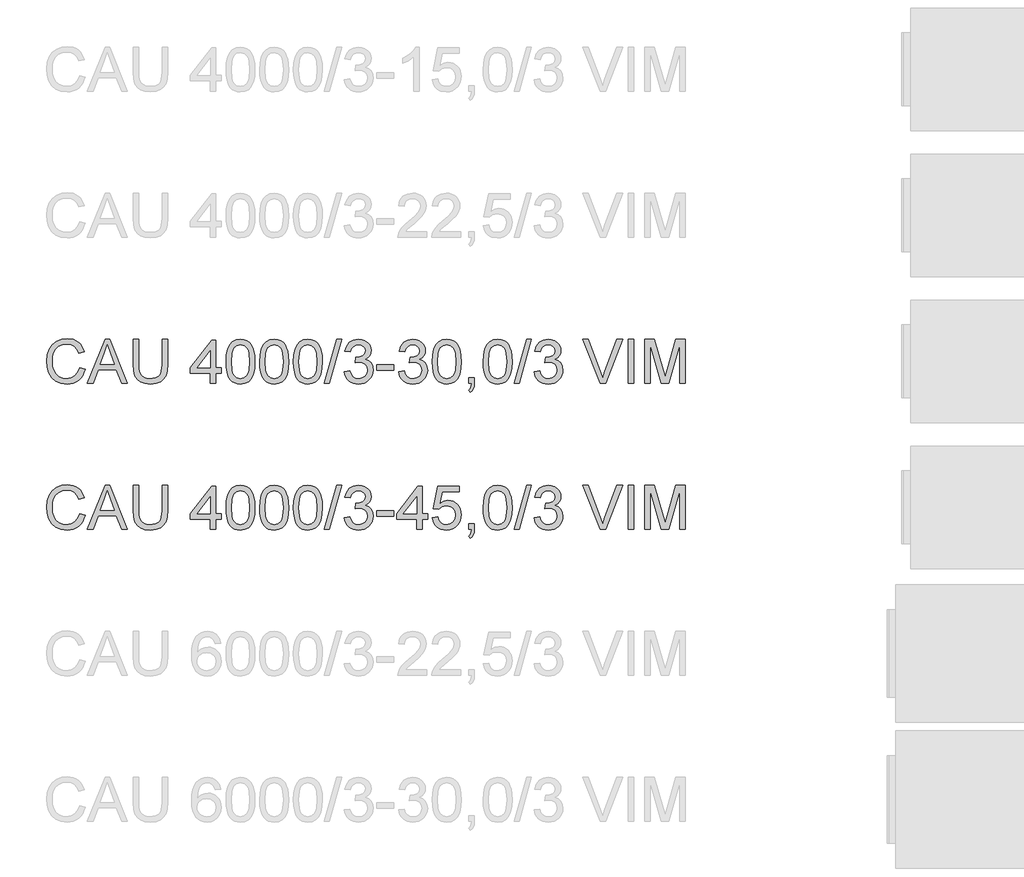
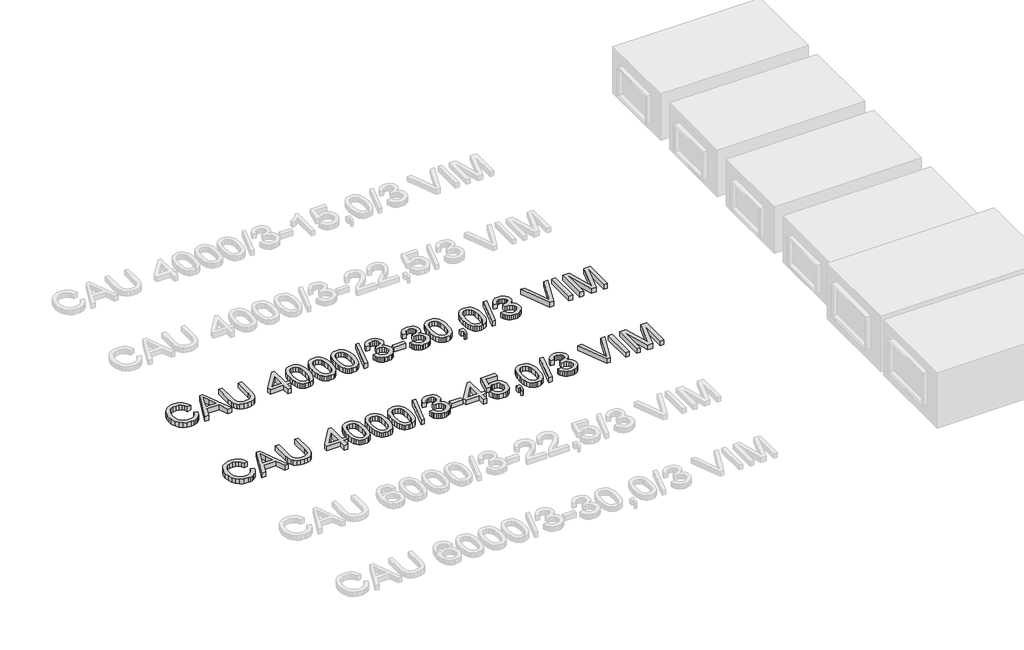
# One storey, part 61 of 74: 2 proxies.
"""IFC4 building model written with IfcOpenShell, lengths in millimetres."""

from ifc_helpers import new_model, si_unit, origin, origin_with_axes, place, context, project, spatial, polyline, outline, extrude, element, save

model = new_model("IFC4")

# Units and contexts
model_context = context("Model", 3, world=origin())
ifc_project = project(units=[si_unit("LENGTHUNIT", "METRE", prefix="MILLI")], contexts=[model_context])

# Site, building, storey
site = spatial("IfcSite", under=ifc_project)
building = spatial("IfcBuilding", under=site)
storey = spatial("IfcBuildingStorey", under=building, Elevation=0.0)

# Proxies
placement = place(None, origin())
element("IfcBuildingElementProxy", 1, Name="Generic Models", at=placement, inside=storey, context=model_context, shape_type="SweptSolid", body=[
    extrude(outline(polyline([(44539.6928381, -9799.1632103), (44577.3639544, -9808.875295), (44569.9097455, -9832.3024803), (44559.9815302, -9852.7728141), (44547.5793084, -9870.2862963), (44532.7030802, -9884.842927), (44515.688538, -9896.2863563), (44496.8713739, -9904.4602344), (44476.2515881, -9909.3645613), (44453.8291805, -9910.9993369), (44410.1339965, -9906.051324), (44375.4335273, -9891.2072855), (44348.835659, -9866.9822562), (44329.4482779, -9833.8912707), (44317.6116747, -9794.9877497), (44313.6661403, -9753.3251137), (44318.1267095, -9709.3816094), (44331.5084171, -9671.4345816), (44353.1122872, -9640.6888439), (44382.2393442, -9618.3492097), (44416.7834636, -9604.7467729), (44454.6385209, -9600.2126274), (44495.9424719, -9606.0803452), (44513.9112081, -9613.4149925), (44530.0911181, -9623.6834986), (44544.2154874, -9636.6145508), (44556.0176017, -9651.9368359), (44572.6550649, -9689.755105), (44534.9839486, -9698.7314257), (44521.9241378, -9671.2598377), (44504.081861, -9652.4150825), (44481.2363891, -9641.5165784), (44453.1669929, -9637.8837437), (44420.8117714, -9641.9120515), (44394.2322973, -9653.996975), (44374.0631669, -9672.8693214), (44360.9389767, -9697.2598977), (44353.7376866, -9724.8326532), (44351.3372566, -9753.2515373), (44354.179145, -9788.0531741), (44362.7048103, -9818.1459213), (44377.2361491, -9842.3801477), (44398.0950582, -9859.6062222), (44423.1018368, -9869.897721), (44450.0767841, -9873.3282206), (44481.5214977, -9868.6561192), (44507.7238928, -9854.6398152), (44527.5067471, -9831.4264613), (44539.6928381, -9799.1632103)])), origin_with_axes(), (0.0, 0.0, 1.0), 50.0),
    extrude(outline(polyline([(44594.065797, -9906.2904473), (44714.3632095, -9604.9215169), (44746.4425194, -9604.9215169), (44866.7399319, -9906.2904473), (44826.9351, -9906.2904473), (44792.4277688, -9812.1126566), (44668.3043837, -9812.1126566), (44633.8706289, -9906.2904473), (44594.065797, -9906.2904473)]), holes=[polyline([(44682.1367467, -9774.4415403), (44778.6689822, -9774.4415403), (44751.519291, -9700.3501064), (44730.4028644, -9642.5926332), (44711.6408827, -9693.8753833), (44682.1367467, -9774.4415403)])]), origin_with_axes(), (0.0, 0.0, 1.0), 50.0),
    extrude(outline(polyline([(45104.7595827, -9604.9215169), (45142.430699, -9604.9215169), (45142.430699, -9778.7825478), (45139.8739192, -9819.4978876), (45132.2035796, -9850.8506307), (45117.8745759, -9875.0388719), (45095.3418037, -9894.2607061), (45064.5500807, -9906.8146792), (45025.4442246, -9910.9993369), (44987.1936941, -9907.3573051), (44956.6135033, -9896.4312099), (44933.694455, -9878.5981302), (44918.4273522, -9854.235145), (44909.8465046, -9821.5580268), (44906.9862221, -9778.7825478), (44906.9862221, -9604.9215169), (44944.6573384, -9604.9215169), (44944.6573384, -9777.4581726), (44946.5151425, -9811.3125132), (44952.0885547, -9834.8845521), (44962.1869155, -9851.2093156), (44977.6195652, -9863.3218303), (44997.7427103, -9870.826623), (45021.9125574, -9873.3282206), (45060.2274672, -9868.3802077), (45074.5702665, -9862.1951917), (45085.7032954, -9853.5361692), (45094.0404211, -9841.3592752), (45099.9955109, -9824.6206444), (45104.7595827, -9777.4581726), (45104.7595827, -9604.9215169)])), origin_with_axes(), (0.0, 0.0, 1.0), 50.0),
    extrude(outline(polyline([(45434.3818504, -9906.2904473), (45434.3818504, -9835.6571043), (45297.8240538, -9835.6571043), (45297.8240538, -9797.985988), (45443.7996295, -9609.6304064), (45472.0529667, -9609.6304064), (45472.0529667, -9797.985988), (45509.724083, -9797.985988), (45509.724083, -9835.6571043), (45472.0529667, -9835.6571043), (45472.0529667, -9906.2904473), (45434.3818504, -9906.2904473)]), holes=[polyline([(45434.3818504, -9797.985988), (45434.3818504, -9681.5881247), (45344.1771852, -9797.985988), (45434.3818504, -9797.985988)])]), origin_with_axes(), (0.0, 0.0, 1.0), 50.0),
    extrude(outline(polyline([(45542.6863098, -9758.0340033), (45545.4546218, -9709.7954767), (45553.7595578, -9671.324217), (45567.5183445, -9642.0316132), (45586.6482082, -9621.3290539), (45611.2871048, -9609.0234011), (45641.5729901, -9604.9215169), (45664.786344, -9607.3495381), (45685.5716767, -9614.6336016), (45702.954101, -9626.4885989), (45715.9587295, -9642.6294214), (45725.7811788, -9662.9181134), (45733.6170653, -9687.2167192), (45738.7490191, -9718.0728216), (45740.4596704, -9758.0340033), (45737.7189495, -9805.9966184), (45729.4967869, -9844.3759076), (45715.8207738, -9873.6961026), (45696.7185012, -9894.4814353), (45672.0244222, -9906.8698615), (45641.5729901, -9910.9993369), (45620.8244456, -9909.2059122), (45602.4303458, -9903.825638), (45586.3906908, -9894.8585143), (45572.7054806, -9882.3045413), (45559.5720934, -9859.6108207), (45550.1911025, -9831.3344908), (45544.562508, -9797.4755517), (45542.6863098, -9758.0340033)]), holes=[polyline([(45580.3574261, -9757.9604269), (45584.77201, -9817.2170193), (45590.29024, -9837.4850179), (45598.0157619, -9851.5128183), (45617.7342368, -9867.87437), (45641.5729901, -9873.3282206), (45665.4117434, -9867.8559759), (45685.1302183, -9851.4392419), (45692.8557402, -9837.3884489), (45698.3739702, -9817.1250488), (45702.7885541, -9757.9604269), (45698.5211229, -9700.0374067), (45693.186834, -9679.8360867), (45685.7188295, -9665.4748933), (45666.0371428, -9648.3131982), (45641.1315317, -9642.5926332), (45617.5502958, -9647.6326165), (45598.6043731, -9662.7525665), (45590.6213338, -9678.3875513), (45584.9191628, -9699.4671897), (45580.3574261, -9757.9604269)])]), origin_with_axes(), (0.0, 0.0, 1.0), 50.0),
    extrude(outline(polyline([(45773.4218972, -9758.0340033), (45776.1902092, -9709.7954767), (45784.4951452, -9671.324217), (45798.2539318, -9642.0316132), (45817.3837956, -9621.3290539), (45842.0226922, -9609.0234011), (45872.3085775, -9604.9215169), (45895.5219314, -9607.3495381), (45916.3072641, -9614.6336016), (45933.6896884, -9626.4885989), (45946.6943169, -9642.6294214), (45956.5167662, -9662.9181134), (45964.3526527, -9687.2167192), (45969.4846065, -9718.0728216), (45971.1952578, -9758.0340033), (45968.4545369, -9805.9966184), (45960.2323743, -9844.3759076), (45946.5563611, -9873.6961026), (45927.4540885, -9894.4814353), (45902.7600096, -9906.8698615), (45872.3085775, -9910.9993369), (45851.5600329, -9909.2059122), (45833.1659332, -9903.825638), (45817.1262782, -9894.8585143), (45803.441068, -9882.3045413), (45790.3076807, -9859.6108207), (45780.9266899, -9831.3344908), (45775.2980953, -9797.4755517), (45773.4218972, -9758.0340033)]), holes=[polyline([(45811.0930135, -9757.9604269), (45815.5075974, -9817.2170193), (45821.0258273, -9837.4850179), (45828.7513492, -9851.5128183), (45848.4698242, -9867.87437), (45872.3085775, -9873.3282206), (45896.1473308, -9867.8559759), (45915.8658057, -9851.4392419), (45923.5913276, -9837.3884489), (45929.1095575, -9817.1250488), (45933.5241415, -9757.9604269), (45929.2567103, -9700.0374067), (45923.9224214, -9679.8360867), (45916.4544169, -9665.4748933), (45896.7727302, -9648.3131982), (45871.8671191, -9642.5926332), (45848.2858832, -9647.6326165), (45829.3399604, -9662.7525665), (45821.3569211, -9678.3875513), (45815.6547502, -9699.4671897), (45811.0930135, -9757.9604269)])]), origin_with_axes(), (0.0, 0.0, 1.0), 50.0),
    extrude(outline(polyline([(46004.1574845, -9758.0340033), (46006.9257966, -9709.7954767), (46015.2307326, -9671.324217), (46028.9895192, -9642.0316132), (46048.119383, -9621.3290539), (46072.7582796, -9609.0234011), (46103.0441648, -9604.9215169), (46126.2575187, -9607.3495381), (46147.0428515, -9614.6336016), (46164.4252757, -9626.4885989), (46177.4299043, -9642.6294214), (46187.2523535, -9662.9181134), (46195.08824, -9687.2167192), (46200.2201939, -9718.0728216), (46201.9308451, -9758.0340033), (46199.1901243, -9805.9966184), (46190.9679617, -9844.3759076), (46177.2919485, -9873.6961026), (46158.1896759, -9894.4814353), (46133.495597, -9906.8698615), (46103.0441648, -9910.9993369), (46082.2956203, -9909.2059122), (46063.9015206, -9903.825638), (46047.8618656, -9894.8585143), (46034.1766553, -9882.3045413), (46021.0432681, -9859.6108207), (46011.6622772, -9831.3344908), (46006.0336827, -9797.4755517), (46004.1574845, -9758.0340033)]), holes=[polyline([(46041.8286008, -9757.9604269), (46046.2431848, -9817.2170193), (46051.7614147, -9837.4850179), (46059.4869366, -9851.5128183), (46079.2054116, -9867.87437), (46103.0441648, -9873.3282206), (46126.8829181, -9867.8559759), (46146.6013931, -9851.4392419), (46154.326915, -9837.3884489), (46159.8451449, -9817.1250488), (46164.2597288, -9757.9604269), (46159.9922977, -9700.0374067), (46154.6580088, -9679.8360867), (46147.1900043, -9665.4748933), (46127.5083175, -9648.3131982), (46102.6027065, -9642.5926332), (46079.0214706, -9647.6326165), (46060.0755478, -9662.7525665), (46052.0925085, -9678.3875513), (46046.3903376, -9699.4671897), (46041.8286008, -9757.9604269)])]), origin_with_axes(), (0.0, 0.0, 1.0), 50.0),
    extrude(outline(polyline([(46216.0575138, -9906.2904473), (46300.8175255, -9604.9215169), (46334.8098218, -9604.9215169), (46250.0498101, -9906.2904473), (46216.0575138, -9906.2904473)])), origin_with_axes(), (0.0, 0.0, 1.0), 50.0),
    extrude(outline(polyline([(46352.6153104, -9826.2393252), (46390.2864267, -9821.5304357), (46398.7201214, -9845.203642), (46411.0717594, -9861.1881147), (46427.9483459, -9870.2931941), (46449.9568863, -9873.3282206), (46475.7822024, -9869.1527599), (46495.7214065, -9856.626378), (46508.4685176, -9837.9379726), (46512.7175547, -9815.2764417), (46508.5053058, -9793.7645421), (46495.8685593, -9776.3177384), (46476.7386955, -9764.7570467), (46453.0470951, -9760.9034828), (46426.6331678, -9765.0237612), (46430.8270225, -9727.3526449), (46436.8602873, -9727.7941033), (46459.4298477, -9725.0901706), (46479.6081751, -9716.9783726), (46493.8452083, -9703.2563742), (46498.5908861, -9683.7218403), (46495.1511894, -9667.452259), (46484.8320994, -9654.2544924), (46469.08675, -9645.508098), (46449.3682751, -9642.5926332), (46429.613012, -9645.5356892), (46413.4629924, -9654.364857), (46401.6723744, -9669.0801369), (46394.9953162, -9689.6815286), (46357.3241999, -9684.972639), (46368.4158421, -9651.1458896), (46388.1527111, -9625.8907906), (46415.1552496, -9610.1638353), (46448.0438999, -9604.9215169), (46471.7263034, -9607.5058879), (46493.4773263, -9615.259001), (46511.8162438, -9627.4910773), (46525.2623307, -9643.5123382), (46533.5120845, -9661.9708173), (46536.2620024, -9681.5145483), (46533.6500402, -9699.724707), (46525.8141537, -9716.2426086), (46512.8647075, -9730.3140949), (46494.9120661, -9741.1850079), (46518.493302, -9750.7131516), (46535.9676968, -9766.9367476), (46546.7834274, -9788.9728791), (46550.388671, -9815.9386293), (46548.5860492, -9835.050099), (46543.1781839, -9852.6532524), (46534.165075, -9868.7480897), (46521.5467226, -9883.3346108), (46506.1738537, -9895.4379285), (46488.8971955, -9904.0831554), (46469.716748, -9909.2702915), (46448.6325111, -9910.9993369), (46429.5762238, -9909.5232104), (46412.2121936, -9905.0948309), (46396.5404206, -9897.7141983), (46382.5609048, -9887.3813128), (46370.8392647, -9874.7031795), (46361.941119, -9860.2868038), (46355.8664675, -9844.1321857), (46352.6153104, -9826.2393252)])), origin_with_axes(), (0.0, 0.0, 1.0), 50.0),
    extrude(outline(polyline([(46573.9331187, -9816.8215461), (46573.9331187, -9779.1504298), (46691.6553571, -9779.1504298), (46691.6553571, -9816.8215461), (46573.9331187, -9816.8215461)])), origin_with_axes(), (0.0, 0.0, 1.0), 50.0),
    extrude(outline(polyline([(46724.6175839, -9826.2393252), (46762.2887002, -9821.5304357), (46770.7223949, -9845.203642), (46783.0740329, -9861.1881147), (46799.9506195, -9870.2931941), (46821.9591598, -9873.3282206), (46847.7844759, -9869.1527599), (46867.72368, -9856.626378), (46880.4707912, -9837.9379726), (46884.7198282, -9815.2764417), (46880.5075794, -9793.7645421), (46867.8708328, -9776.3177384), (46848.7409691, -9764.7570467), (46825.0493686, -9760.9034828), (46798.6354413, -9765.0237612), (46802.8292961, -9727.3526449), (46808.8625608, -9727.7941033), (46831.4321212, -9725.0901706), (46851.6104486, -9716.9783726), (46865.8474818, -9703.2563742), (46870.5931596, -9683.7218403), (46867.1534629, -9667.452259), (46856.834373, -9654.2544924), (46841.0890236, -9645.508098), (46821.3705486, -9642.5926332), (46801.6152855, -9645.5356892), (46785.4652659, -9654.364857), (46773.674648, -9669.0801369), (46766.9975897, -9689.6815286), (46729.3264734, -9684.972639), (46740.4181156, -9651.1458896), (46760.1549846, -9625.8907906), (46787.1575231, -9610.1638353), (46820.0461734, -9604.9215169), (46843.7285769, -9607.5058879), (46865.4795999, -9615.259001), (46883.8185173, -9627.4910773), (46897.2646042, -9643.5123382), (46905.514358, -9661.9708173), (46908.2642759, -9681.5145483), (46905.6523137, -9699.724707), (46897.8164272, -9716.2426086), (46884.866981, -9730.3140949), (46866.9143396, -9741.1850079), (46890.4955755, -9750.7131516), (46907.9699703, -9766.9367476), (46918.785701, -9788.9728791), (46922.3909445, -9815.9386293), (46920.5883227, -9835.050099), (46915.1804574, -9852.6532524), (46906.1673485, -9868.7480897), (46893.5489961, -9883.3346108), (46878.1761272, -9895.4379285), (46860.899469, -9904.0831554), (46841.7190215, -9909.2702915), (46820.6347846, -9910.9993369), (46801.5784973, -9909.5232104), (46784.2144671, -9905.0948309), (46768.5426941, -9897.7141983), (46754.5631783, -9887.3813128), (46742.8415382, -9874.7031795), (46733.9433925, -9860.2868038), (46727.868741, -9844.1321857), (46724.6175839, -9826.2393252)])), origin_with_axes(), (0.0, 0.0, 1.0), 50.0),
    extrude(outline(polyline([(46955.3531713, -9758.0340033), (46958.1214833, -9709.7954767), (46966.4264193, -9671.324217), (46980.1852059, -9642.0316132), (46999.3150697, -9621.3290539), (47023.9539663, -9609.0234011), (47054.2398516, -9604.9215169), (47077.4532055, -9607.3495381), (47098.2385382, -9614.6336016), (47115.6209625, -9626.4885989), (47128.625591, -9642.6294214), (47138.4480403, -9662.9181134), (47146.2839268, -9687.2167192), (47151.4158806, -9718.0728216), (47153.1265319, -9758.0340033), (47150.385811, -9805.9966184), (47142.1636484, -9844.3759076), (47128.4876353, -9873.6961026), (47109.3853627, -9894.4814353), (47084.6912837, -9906.8698615), (47054.2398516, -9910.9993369), (47033.491307, -9909.2059122), (47015.0972073, -9903.825638), (46999.0575523, -9894.8585143), (46985.3723421, -9882.3045413), (46972.2389549, -9859.6108207), (46962.857964, -9831.3344908), (46957.2293694, -9797.4755517), (46955.3531713, -9758.0340033)]), holes=[polyline([(46993.0242876, -9757.9604269), (46997.4388715, -9817.2170193), (47002.9571014, -9837.4850179), (47010.6826233, -9851.5128183), (47030.4010983, -9867.87437), (47054.2398516, -9873.3282206), (47078.0786049, -9867.8559759), (47097.7970798, -9851.4392419), (47105.5226017, -9837.3884489), (47111.0408316, -9817.1250488), (47115.4554156, -9757.9604269), (47111.1879844, -9700.0374067), (47105.8536955, -9679.8360867), (47098.385691, -9665.4748933), (47078.7040043, -9648.3131982), (47053.7983932, -9642.5926332), (47030.2171573, -9647.6326165), (47011.2712345, -9662.7525665), (47003.2881952, -9678.3875513), (46997.5860243, -9699.4671897), (46993.0242876, -9757.9604269)])]), origin_with_axes(), (0.0, 0.0, 1.0), 50.0),
    extrude(outline(polyline([(47204.9243168, -9906.2904473), (47204.9243168, -9868.619331), (47242.5954331, -9868.619331), (47242.5954331, -9906.2904473), (47240.9031759, -9927.8391352), (47235.8264044, -9944.8076922), (47227.0708129, -9957.8215178), (47214.3420959, -9967.5060113), (47204.9243168, -9953.3793427), (47213.0912971, -9946.5551317), (47218.7566798, -9937.1189585), (47223.6862986, -9906.2904473), (47204.9243168, -9906.2904473)])), origin_with_axes(), (0.0, 0.0, 1.0), 50.0),
    extrude(outline(polyline([(47303.8109971, -9758.0340033), (47306.5793091, -9709.7954767), (47314.8842452, -9671.324217), (47328.6430318, -9642.0316132), (47347.7728955, -9621.3290539), (47372.4117922, -9609.0234011), (47402.6976774, -9604.9215169), (47425.9110313, -9607.3495381), (47446.696364, -9614.6336016), (47464.0787883, -9626.4885989), (47477.0834168, -9642.6294214), (47486.9058661, -9662.9181134), (47494.7417526, -9687.2167192), (47499.8737064, -9718.0728216), (47501.5843577, -9758.0340033), (47498.8436368, -9805.9966184), (47490.6214743, -9844.3759076), (47476.9454611, -9873.6961026), (47457.8431885, -9894.4814353), (47433.1491096, -9906.8698615), (47402.6976774, -9910.9993369), (47381.9491329, -9909.2059122), (47363.5550331, -9903.825638), (47347.5153781, -9894.8585143), (47333.8301679, -9882.3045413), (47320.6967807, -9859.6108207), (47311.3157898, -9831.3344908), (47305.6871953, -9797.4755517), (47303.8109971, -9758.0340033)]), holes=[polyline([(47341.4821134, -9757.9604269), (47345.8966974, -9817.2170193), (47351.4149273, -9837.4850179), (47359.1404492, -9851.5128183), (47378.8589241, -9867.87437), (47402.6976774, -9873.3282206), (47426.5364307, -9867.8559759), (47446.2549056, -9851.4392419), (47453.9804275, -9837.3884489), (47459.4986575, -9817.1250488), (47463.9132414, -9757.9604269), (47459.6458103, -9700.0374067), (47454.3115213, -9679.8360867), (47446.8435168, -9665.4748933), (47427.1618301, -9648.3131982), (47402.256219, -9642.5926332), (47378.6749831, -9647.6326165), (47359.7290604, -9662.7525665), (47351.7460211, -9678.3875513), (47346.0438501, -9699.4671897), (47341.4821134, -9757.9604269)])]), origin_with_axes(), (0.0, 0.0, 1.0), 50.0),
    extrude(outline(polyline([(47515.7110263, -9906.2904473), (47600.471038, -9604.9215169), (47634.4633344, -9604.9215169), (47549.7033227, -9906.2904473), (47515.7110263, -9906.2904473)])), origin_with_axes(), (0.0, 0.0, 1.0), 50.0),
    extrude(outline(polyline([(47652.2688229, -9826.2393252), (47689.9399392, -9821.5304357), (47698.373634, -9845.203642), (47710.725272, -9861.1881147), (47727.6018585, -9870.2931941), (47749.6103989, -9873.3282206), (47775.4357149, -9869.1527599), (47795.3749191, -9856.626378), (47808.1220302, -9837.9379726), (47812.3710672, -9815.2764417), (47808.1588184, -9793.7645421), (47795.5220719, -9776.3177384), (47776.3922081, -9764.7570467), (47752.7006076, -9760.9034828), (47726.2866804, -9765.0237612), (47730.4805351, -9727.3526449), (47736.5137998, -9727.7941033), (47759.0833602, -9725.0901706), (47779.2616877, -9716.9783726), (47793.4987209, -9703.2563742), (47798.2443986, -9683.7218403), (47794.804702, -9667.452259), (47784.485612, -9654.2544924), (47768.7402626, -9645.508098), (47749.0217877, -9642.5926332), (47729.2665245, -9645.5356892), (47713.1165049, -9654.364857), (47701.325887, -9669.0801369), (47694.6488288, -9689.6815286), (47656.9777125, -9684.972639), (47668.0693546, -9651.1458896), (47687.8062237, -9625.8907906), (47714.8087621, -9610.1638353), (47747.6974125, -9604.9215169), (47771.3798159, -9607.5058879), (47793.1308389, -9615.259001), (47811.4697563, -9627.4910773), (47824.9158433, -9643.5123382), (47833.165597, -9661.9708173), (47835.9155149, -9681.5145483), (47833.3035528, -9699.724707), (47825.4676663, -9716.2426086), (47812.51822, -9730.3140949), (47794.5655787, -9741.1850079), (47818.1468146, -9750.7131516), (47835.6212093, -9766.9367476), (47846.43694, -9788.9728791), (47850.0421835, -9815.9386293), (47848.2395618, -9835.050099), (47842.8316964, -9852.6532524), (47833.8185876, -9868.7480897), (47821.2002351, -9883.3346108), (47805.8273662, -9895.4379285), (47788.550708, -9904.0831554), (47769.3702605, -9909.2702915), (47748.2860237, -9910.9993369), (47729.2297363, -9909.5232104), (47711.8657062, -9905.0948309), (47696.1939332, -9897.7141983), (47682.2144173, -9887.3813128), (47670.4927773, -9874.7031795), (47661.5946315, -9860.2868038), (47655.5199801, -9844.1321857), (47652.2688229, -9826.2393252)])), origin_with_axes(), (0.0, 0.0, 1.0), 50.0),
    extrude(outline(polyline([(48103.8807602, -9906.2904473), (47983.9512298, -9604.9215169), (48024.2710965, -9604.9215169), (48104.5429478, -9822.0454704), (48120.803332, -9870.9737758), (48136.842987, -9822.0454704), (48217.3355675, -9604.9215169), (48257.6554342, -9604.9215169), (48142.8026753, -9906.2904473), (48103.8807602, -9906.2904473)])), origin_with_axes(), (0.0, 0.0, 1.0), 50.0),
    extrude(outline(polyline([(48297.3866897, -9906.2904473), (48297.3866897, -9604.9215169), (48335.057806, -9604.9215169), (48335.057806, -9906.2904473), (48297.3866897, -9906.2904473)])), origin_with_axes(), (0.0, 0.0, 1.0), 50.0),
    extrude(outline(polyline([(48410.4000386, -9906.2904473), (48410.4000386, -9604.9215169), (48475.2208461, -9604.9215169), (48536.8778685, -9817.3365809), (48549.31228, -9861.7031495), (48562.776761, -9813.657761), (48623.4037138, -9604.9215169), (48688.2245214, -9604.9215169), (48688.2245214, -9906.2904473), (48650.553405, -9906.2904473), (48650.553405, -9642.5926332), (48574.8432904, -9906.2904473), (48523.7812695, -9906.2904473), (48448.0711549, -9642.5926332), (48448.0711549, -9906.2904473), (48410.4000386, -9906.2904473)])), origin_with_axes(), (0.0, 0.0, 1.0), 50.0),
])
element("IfcBuildingElementProxy", 2, Name="Generic Models", at=placement, inside=storey, context=model_context, shape_type="SweptSolid", body=[
    extrude(outline(polyline([(44539.6928381, -10799.1632103), (44577.3639544, -10808.875295), (44569.9097455, -10832.3024803), (44559.9815302, -10852.7728141), (44547.5793084, -10870.2862963), (44532.7030802, -10884.842927), (44515.688538, -10896.2863563), (44496.8713739, -10904.4602344), (44476.2515881, -10909.3645613), (44453.8291805, -10910.9993369), (44410.1339965, -10906.051324), (44375.4335273, -10891.2072855), (44348.835659, -10866.9822562), (44329.4482779, -10833.8912707), (44317.6116747, -10794.9877497), (44313.6661403, -10753.3251137), (44318.1267095, -10709.3816094), (44331.5084171, -10671.4345816), (44353.1122872, -10640.6888439), (44382.2393442, -10618.3492097), (44416.7834636, -10604.7467729), (44454.6385209, -10600.2126274), (44495.9424719, -10606.0803452), (44513.9112081, -10613.4149925), (44530.0911181, -10623.6834986), (44544.2154874, -10636.6145508), (44556.0176017, -10651.9368359), (44572.6550649, -10689.755105), (44534.9839486, -10698.7314257), (44521.9241378, -10671.2598377), (44504.081861, -10652.4150825), (44481.2363891, -10641.5165784), (44453.1669929, -10637.8837437), (44420.8117714, -10641.9120515), (44394.2322973, -10653.996975), (44374.0631669, -10672.8693214), (44360.9389767, -10697.2598977), (44353.7376866, -10724.8326532), (44351.3372566, -10753.2515373), (44354.179145, -10788.0531741), (44362.7048103, -10818.1459213), (44377.2361491, -10842.3801477), (44398.0950582, -10859.6062222), (44423.1018368, -10869.897721), (44450.0767841, -10873.3282206), (44481.5214977, -10868.6561192), (44507.7238928, -10854.6398152), (44527.5067471, -10831.4264613), (44539.6928381, -10799.1632103)])), origin_with_axes(), (0.0, 0.0, 1.0), 50.0),
    extrude(outline(polyline([(44594.065797, -10906.2904473), (44714.3632095, -10604.9215169), (44746.4425194, -10604.9215169), (44866.7399319, -10906.2904473), (44826.9351, -10906.2904473), (44792.4277688, -10812.1126566), (44668.3043837, -10812.1126566), (44633.8706289, -10906.2904473), (44594.065797, -10906.2904473)]), holes=[polyline([(44682.1367467, -10774.4415403), (44778.6689822, -10774.4415403), (44751.519291, -10700.3501064), (44730.4028644, -10642.5926332), (44711.6408827, -10693.8753833), (44682.1367467, -10774.4415403)])]), origin_with_axes(), (0.0, 0.0, 1.0), 50.0),
    extrude(outline(polyline([(45104.7595827, -10604.9215169), (45142.430699, -10604.9215169), (45142.430699, -10778.7825478), (45139.8739192, -10819.4978876), (45132.2035796, -10850.8506307), (45117.8745759, -10875.0388719), (45095.3418037, -10894.2607061), (45064.5500807, -10906.8146792), (45025.4442246, -10910.9993369), (44987.1936941, -10907.3573051), (44956.6135033, -10896.4312099), (44933.694455, -10878.5981302), (44918.4273522, -10854.235145), (44909.8465046, -10821.5580268), (44906.9862221, -10778.7825478), (44906.9862221, -10604.9215169), (44944.6573384, -10604.9215169), (44944.6573384, -10777.4581726), (44946.5151425, -10811.3125132), (44952.0885547, -10834.8845521), (44962.1869155, -10851.2093156), (44977.6195652, -10863.3218303), (44997.7427103, -10870.826623), (45021.9125574, -10873.3282206), (45060.2274672, -10868.3802077), (45074.5702665, -10862.1951917), (45085.7032954, -10853.5361692), (45094.0404211, -10841.3592752), (45099.9955109, -10824.6206444), (45104.7595827, -10777.4581726), (45104.7595827, -10604.9215169)])), origin_with_axes(), (0.0, 0.0, 1.0), 50.0),
    extrude(outline(polyline([(45434.3818504, -10906.2904473), (45434.3818504, -10835.6571043), (45297.8240538, -10835.6571043), (45297.8240538, -10797.985988), (45443.7996295, -10609.6304064), (45472.0529667, -10609.6304064), (45472.0529667, -10797.985988), (45509.724083, -10797.985988), (45509.724083, -10835.6571043), (45472.0529667, -10835.6571043), (45472.0529667, -10906.2904473), (45434.3818504, -10906.2904473)]), holes=[polyline([(45434.3818504, -10797.985988), (45434.3818504, -10681.5881247), (45344.1771852, -10797.985988), (45434.3818504, -10797.985988)])]), origin_with_axes(), (0.0, 0.0, 1.0), 50.0),
    extrude(outline(polyline([(45542.6863098, -10758.0340033), (45545.4546218, -10709.7954767), (45553.7595578, -10671.324217), (45567.5183445, -10642.0316132), (45586.6482082, -10621.3290539), (45611.2871048, -10609.0234011), (45641.5729901, -10604.9215169), (45664.786344, -10607.3495381), (45685.5716767, -10614.6336016), (45702.954101, -10626.4885989), (45715.9587295, -10642.6294214), (45725.7811788, -10662.9181134), (45733.6170653, -10687.2167192), (45738.7490191, -10718.0728216), (45740.4596704, -10758.0340033), (45737.7189495, -10805.9966184), (45729.4967869, -10844.3759076), (45715.8207738, -10873.6961026), (45696.7185012, -10894.4814353), (45672.0244222, -10906.8698615), (45641.5729901, -10910.9993369), (45620.8244456, -10909.2059122), (45602.4303458, -10903.825638), (45586.3906908, -10894.8585143), (45572.7054806, -10882.3045413), (45559.5720934, -10859.6108207), (45550.1911025, -10831.3344908), (45544.562508, -10797.4755517), (45542.6863098, -10758.0340033)]), holes=[polyline([(45580.3574261, -10757.9604269), (45584.77201, -10817.2170193), (45590.29024, -10837.4850179), (45598.0157619, -10851.5128183), (45617.7342368, -10867.87437), (45641.5729901, -10873.3282206), (45665.4117434, -10867.8559759), (45685.1302183, -10851.4392419), (45692.8557402, -10837.3884489), (45698.3739702, -10817.1250488), (45702.7885541, -10757.9604269), (45698.5211229, -10700.0374067), (45693.186834, -10679.8360867), (45685.7188295, -10665.4748933), (45666.0371428, -10648.3131982), (45641.1315317, -10642.5926332), (45617.5502958, -10647.6326165), (45598.6043731, -10662.7525665), (45590.6213338, -10678.3875513), (45584.9191628, -10699.4671897), (45580.3574261, -10757.9604269)])]), origin_with_axes(), (0.0, 0.0, 1.0), 50.0),
    extrude(outline(polyline([(45773.4218972, -10758.0340033), (45776.1902092, -10709.7954767), (45784.4951452, -10671.324217), (45798.2539318, -10642.0316132), (45817.3837956, -10621.3290539), (45842.0226922, -10609.0234011), (45872.3085775, -10604.9215169), (45895.5219314, -10607.3495381), (45916.3072641, -10614.6336016), (45933.6896884, -10626.4885989), (45946.6943169, -10642.6294214), (45956.5167662, -10662.9181134), (45964.3526527, -10687.2167192), (45969.4846065, -10718.0728216), (45971.1952578, -10758.0340033), (45968.4545369, -10805.9966184), (45960.2323743, -10844.3759076), (45946.5563611, -10873.6961026), (45927.4540885, -10894.4814353), (45902.7600096, -10906.8698615), (45872.3085775, -10910.9993369), (45851.5600329, -10909.2059122), (45833.1659332, -10903.825638), (45817.1262782, -10894.8585143), (45803.441068, -10882.3045413), (45790.3076807, -10859.6108207), (45780.9266899, -10831.3344908), (45775.2980953, -10797.4755517), (45773.4218972, -10758.0340033)]), holes=[polyline([(45811.0930135, -10757.9604269), (45815.5075974, -10817.2170193), (45821.0258273, -10837.4850179), (45828.7513492, -10851.5128183), (45848.4698242, -10867.87437), (45872.3085775, -10873.3282206), (45896.1473308, -10867.8559759), (45915.8658057, -10851.4392419), (45923.5913276, -10837.3884489), (45929.1095575, -10817.1250488), (45933.5241415, -10757.9604269), (45929.2567103, -10700.0374067), (45923.9224214, -10679.8360867), (45916.4544169, -10665.4748933), (45896.7727302, -10648.3131982), (45871.8671191, -10642.5926332), (45848.2858832, -10647.6326165), (45829.3399604, -10662.7525665), (45821.3569211, -10678.3875513), (45815.6547502, -10699.4671897), (45811.0930135, -10757.9604269)])]), origin_with_axes(), (0.0, 0.0, 1.0), 50.0),
    extrude(outline(polyline([(46004.1574845, -10758.0340033), (46006.9257966, -10709.7954767), (46015.2307326, -10671.324217), (46028.9895192, -10642.0316132), (46048.119383, -10621.3290539), (46072.7582796, -10609.0234011), (46103.0441648, -10604.9215169), (46126.2575187, -10607.3495381), (46147.0428515, -10614.6336016), (46164.4252757, -10626.4885989), (46177.4299043, -10642.6294214), (46187.2523535, -10662.9181134), (46195.08824, -10687.2167192), (46200.2201939, -10718.0728216), (46201.9308451, -10758.0340033), (46199.1901243, -10805.9966184), (46190.9679617, -10844.3759076), (46177.2919485, -10873.6961026), (46158.1896759, -10894.4814353), (46133.495597, -10906.8698615), (46103.0441648, -10910.9993369), (46082.2956203, -10909.2059122), (46063.9015206, -10903.825638), (46047.8618656, -10894.8585143), (46034.1766553, -10882.3045413), (46021.0432681, -10859.6108207), (46011.6622772, -10831.3344908), (46006.0336827, -10797.4755517), (46004.1574845, -10758.0340033)]), holes=[polyline([(46041.8286008, -10757.9604269), (46046.2431848, -10817.2170193), (46051.7614147, -10837.4850179), (46059.4869366, -10851.5128183), (46079.2054116, -10867.87437), (46103.0441648, -10873.3282206), (46126.8829181, -10867.8559759), (46146.6013931, -10851.4392419), (46154.326915, -10837.3884489), (46159.8451449, -10817.1250488), (46164.2597288, -10757.9604269), (46159.9922977, -10700.0374067), (46154.6580088, -10679.8360867), (46147.1900043, -10665.4748933), (46127.5083175, -10648.3131982), (46102.6027065, -10642.5926332), (46079.0214706, -10647.6326165), (46060.0755478, -10662.7525665), (46052.0925085, -10678.3875513), (46046.3903376, -10699.4671897), (46041.8286008, -10757.9604269)])]), origin_with_axes(), (0.0, 0.0, 1.0), 50.0),
    extrude(outline(polyline([(46216.0575138, -10906.2904473), (46300.8175255, -10604.9215169), (46334.8098218, -10604.9215169), (46250.0498101, -10906.2904473), (46216.0575138, -10906.2904473)])), origin_with_axes(), (0.0, 0.0, 1.0), 50.0),
    extrude(outline(polyline([(46352.6153104, -10826.2393252), (46390.2864267, -10821.5304357), (46398.7201214, -10845.203642), (46411.0717594, -10861.1881147), (46427.9483459, -10870.2931941), (46449.9568863, -10873.3282206), (46475.7822024, -10869.1527599), (46495.7214065, -10856.626378), (46508.4685176, -10837.9379726), (46512.7175547, -10815.2764417), (46508.5053058, -10793.7645421), (46495.8685593, -10776.3177384), (46476.7386955, -10764.7570467), (46453.0470951, -10760.9034828), (46426.6331678, -10765.0237612), (46430.8270225, -10727.3526449), (46436.8602873, -10727.7941033), (46459.4298477, -10725.0901706), (46479.6081751, -10716.9783726), (46493.8452083, -10703.2563742), (46498.5908861, -10683.7218403), (46495.1511894, -10667.452259), (46484.8320994, -10654.2544924), (46469.08675, -10645.508098), (46449.3682751, -10642.5926332), (46429.613012, -10645.5356892), (46413.4629924, -10654.364857), (46401.6723744, -10669.0801369), (46394.9953162, -10689.6815286), (46357.3241999, -10684.972639), (46368.4158421, -10651.1458896), (46388.1527111, -10625.8907906), (46415.1552496, -10610.1638353), (46448.0438999, -10604.9215169), (46471.7263034, -10607.5058879), (46493.4773263, -10615.259001), (46511.8162438, -10627.4910773), (46525.2623307, -10643.5123382), (46533.5120845, -10661.9708173), (46536.2620024, -10681.5145483), (46533.6500402, -10699.724707), (46525.8141537, -10716.2426086), (46512.8647075, -10730.3140949), (46494.9120661, -10741.1850079), (46518.493302, -10750.7131516), (46535.9676968, -10766.9367476), (46546.7834274, -10788.9728791), (46550.388671, -10815.9386293), (46548.5860492, -10835.050099), (46543.1781839, -10852.6532524), (46534.165075, -10868.7480897), (46521.5467226, -10883.3346108), (46506.1738537, -10895.4379285), (46488.8971955, -10904.0831554), (46469.716748, -10909.2702915), (46448.6325111, -10910.9993369), (46429.5762238, -10909.5232104), (46412.2121936, -10905.0948309), (46396.5404206, -10897.7141983), (46382.5609048, -10887.3813128), (46370.8392647, -10874.7031795), (46361.941119, -10860.2868038), (46355.8664675, -10844.1321857), (46352.6153104, -10826.2393252)])), origin_with_axes(), (0.0, 0.0, 1.0), 50.0),
    extrude(outline(polyline([(46573.9331187, -10816.8215461), (46573.9331187, -10779.1504298), (46691.6553571, -10779.1504298), (46691.6553571, -10816.8215461), (46573.9331187, -10816.8215461)])), origin_with_axes(), (0.0, 0.0, 1.0), 50.0),
    extrude(outline(polyline([(46847.0487119, -10906.2904473), (46847.0487119, -10835.6571043), (46710.4909153, -10835.6571043), (46710.4909153, -10797.985988), (46856.466491, -10609.6304064), (46884.7198282, -10609.6304064), (46884.7198282, -10797.985988), (46922.3909445, -10797.985988), (46922.3909445, -10835.6571043), (46884.7198282, -10835.6571043), (46884.7198282, -10906.2904473), (46847.0487119, -10906.2904473)]), holes=[polyline([(46847.0487119, -10797.985988), (46847.0487119, -10681.5881247), (46756.8440467, -10797.985988), (46847.0487119, -10797.985988)])]), origin_with_axes(), (0.0, 0.0, 1.0), 50.0),
    extrude(outline(polyline([(46955.3531713, -10826.2393252), (46993.0242876, -10821.5304357), (46999.9404691, -10844.1459813), (47012.0069985, -10860.3419861), (47029.1686936, -10870.081662), (47051.370372, -10873.3282206), (47078.3729105, -10868.8124691), (47098.6064202, -10855.2652146), (47111.2431667, -10834.2499556), (47115.4554156, -10807.3301906), (47111.5098812, -10781.9831212), (47099.673278, -10762.59574), (47079.8536355, -10750.2900873), (47051.9589832, -10746.188203), (47033.6844451, -10747.8252779), (47018.8863918, -10752.7365026), (46997.7331771, -10769.7326507), (46960.0620608, -10765.0237612), (46993.0242876, -10609.6304064), (47138.9998633, -10609.6304064), (47138.9998633, -10647.3015227), (47023.4849168, -10647.3015227), (47007.3716854, -10730.2957008), (47034.2822533, -10713.9617403), (47062.4804083, -10708.5170867), (47080.8262235, -10710.2047454), (47097.6775182, -10715.2677213), (47113.0342922, -10723.7060146), (47126.8965456, -10735.5196252), (47138.3721646, -10749.9865846), (47146.5690353, -10766.3849246), (47151.4871577, -10784.714645), (47153.1265319, -10804.9757459), (47147.2220259, -10842.6468622), (47139.8413933, -10859.4406753), (47129.5085078, -10874.873325), (47113.8551289, -10890.6784552), (47095.5897878, -10901.9678339), (47074.7124846, -10908.7414611), (47051.2232192, -10910.9993369), (47014.2234876, -10905.1959984), (46998.5448168, -10897.9418253), (46984.7469427, -10887.785983), (46973.2667252, -10875.2343092), (46964.5410241, -10860.7926416), (46955.3531713, -10826.2393252)])), origin_with_axes(), (0.0, 0.0, 1.0), 50.0),
    extrude(outline(polyline([(47204.9243168, -10906.2904473), (47204.9243168, -10868.619331), (47242.5954331, -10868.619331), (47242.5954331, -10906.2904473), (47240.9031759, -10927.8391352), (47235.8264044, -10944.8076922), (47227.0708129, -10957.8215178), (47214.3420959, -10967.5060113), (47204.9243168, -10953.3793427), (47213.0912971, -10946.5551317), (47218.7566798, -10937.1189585), (47223.6862986, -10906.2904473), (47204.9243168, -10906.2904473)])), origin_with_axes(), (0.0, 0.0, 1.0), 50.0),
    extrude(outline(polyline([(47303.8109971, -10758.0340033), (47306.5793091, -10709.7954767), (47314.8842452, -10671.324217), (47328.6430318, -10642.0316132), (47347.7728955, -10621.3290539), (47372.4117922, -10609.0234011), (47402.6976774, -10604.9215169), (47425.9110313, -10607.3495381), (47446.696364, -10614.6336016), (47464.0787883, -10626.4885989), (47477.0834168, -10642.6294214), (47486.9058661, -10662.9181134), (47494.7417526, -10687.2167192), (47499.8737064, -10718.0728216), (47501.5843577, -10758.0340033), (47498.8436368, -10805.9966184), (47490.6214743, -10844.3759076), (47476.9454611, -10873.6961026), (47457.8431885, -10894.4814353), (47433.1491096, -10906.8698615), (47402.6976774, -10910.9993369), (47381.9491329, -10909.2059122), (47363.5550331, -10903.825638), (47347.5153781, -10894.8585143), (47333.8301679, -10882.3045413), (47320.6967807, -10859.6108207), (47311.3157898, -10831.3344908), (47305.6871953, -10797.4755517), (47303.8109971, -10758.0340033)]), holes=[polyline([(47341.4821134, -10757.9604269), (47345.8966974, -10817.2170193), (47351.4149273, -10837.4850179), (47359.1404492, -10851.5128183), (47378.8589241, -10867.87437), (47402.6976774, -10873.3282206), (47426.5364307, -10867.8559759), (47446.2549056, -10851.4392419), (47453.9804275, -10837.3884489), (47459.4986575, -10817.1250488), (47463.9132414, -10757.9604269), (47459.6458103, -10700.0374067), (47454.3115213, -10679.8360867), (47446.8435168, -10665.4748933), (47427.1618301, -10648.3131982), (47402.256219, -10642.5926332), (47378.6749831, -10647.6326165), (47359.7290604, -10662.7525665), (47351.7460211, -10678.3875513), (47346.0438501, -10699.4671897), (47341.4821134, -10757.9604269)])]), origin_with_axes(), (0.0, 0.0, 1.0), 50.0),
    extrude(outline(polyline([(47515.7110263, -10906.2904473), (47600.471038, -10604.9215169), (47634.4633344, -10604.9215169), (47549.7033227, -10906.2904473), (47515.7110263, -10906.2904473)])), origin_with_axes(), (0.0, 0.0, 1.0), 50.0),
    extrude(outline(polyline([(47652.2688229, -10826.2393252), (47689.9399392, -10821.5304357), (47698.373634, -10845.203642), (47710.725272, -10861.1881147), (47727.6018585, -10870.2931941), (47749.6103989, -10873.3282206), (47775.4357149, -10869.1527599), (47795.3749191, -10856.626378), (47808.1220302, -10837.9379726), (47812.3710672, -10815.2764417), (47808.1588184, -10793.7645421), (47795.5220719, -10776.3177384), (47776.3922081, -10764.7570467), (47752.7006076, -10760.9034828), (47726.2866804, -10765.0237612), (47730.4805351, -10727.3526449), (47736.5137998, -10727.7941033), (47759.0833602, -10725.0901706), (47779.2616877, -10716.9783726), (47793.4987209, -10703.2563742), (47798.2443986, -10683.7218403), (47794.804702, -10667.452259), (47784.485612, -10654.2544924), (47768.7402626, -10645.508098), (47749.0217877, -10642.5926332), (47729.2665245, -10645.5356892), (47713.1165049, -10654.364857), (47701.325887, -10669.0801369), (47694.6488288, -10689.6815286), (47656.9777125, -10684.972639), (47668.0693546, -10651.1458896), (47687.8062237, -10625.8907906), (47714.8087621, -10610.1638353), (47747.6974125, -10604.9215169), (47771.3798159, -10607.5058879), (47793.1308389, -10615.259001), (47811.4697563, -10627.4910773), (47824.9158433, -10643.5123382), (47833.165597, -10661.9708173), (47835.9155149, -10681.5145483), (47833.3035528, -10699.724707), (47825.4676663, -10716.2426086), (47812.51822, -10730.3140949), (47794.5655787, -10741.1850079), (47818.1468146, -10750.7131516), (47835.6212093, -10766.9367476), (47846.43694, -10788.9728791), (47850.0421835, -10815.9386293), (47848.2395618, -10835.050099), (47842.8316964, -10852.6532524), (47833.8185876, -10868.7480897), (47821.2002351, -10883.3346108), (47805.8273662, -10895.4379285), (47788.550708, -10904.0831554), (47769.3702605, -10909.2702915), (47748.2860237, -10910.9993369), (47729.2297363, -10909.5232104), (47711.8657062, -10905.0948309), (47696.1939332, -10897.7141983), (47682.2144173, -10887.3813128), (47670.4927773, -10874.7031795), (47661.5946315, -10860.2868038), (47655.5199801, -10844.1321857), (47652.2688229, -10826.2393252)])), origin_with_axes(), (0.0, 0.0, 1.0), 50.0),
    extrude(outline(polyline([(48103.8807602, -10906.2904473), (47983.9512298, -10604.9215169), (48024.2710965, -10604.9215169), (48104.5429478, -10822.0454704), (48120.803332, -10870.9737758), (48136.842987, -10822.0454704), (48217.3355675, -10604.9215169), (48257.6554342, -10604.9215169), (48142.8026753, -10906.2904473), (48103.8807602, -10906.2904473)])), origin_with_axes(), (0.0, 0.0, 1.0), 50.0),
    extrude(outline(polyline([(48297.3866897, -10906.2904473), (48297.3866897, -10604.9215169), (48335.057806, -10604.9215169), (48335.057806, -10906.2904473), (48297.3866897, -10906.2904473)])), origin_with_axes(), (0.0, 0.0, 1.0), 50.0),
    extrude(outline(polyline([(48410.4000386, -10906.2904473), (48410.4000386, -10604.9215169), (48475.2208461, -10604.9215169), (48536.8778685, -10817.3365809), (48549.31228, -10861.7031495), (48562.776761, -10813.657761), (48623.4037138, -10604.9215169), (48688.2245214, -10604.9215169), (48688.2245214, -10906.2904473), (48650.553405, -10906.2904473), (48650.553405, -10642.5926332), (48574.8432904, -10906.2904473), (48523.7812695, -10906.2904473), (48448.0711549, -10642.5926332), (48448.0711549, -10906.2904473), (48410.4000386, -10906.2904473)])), origin_with_axes(), (0.0, 0.0, 1.0), 50.0),
])

save(model, "model.ifc")
